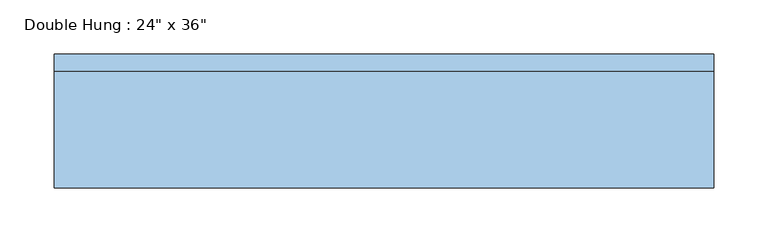
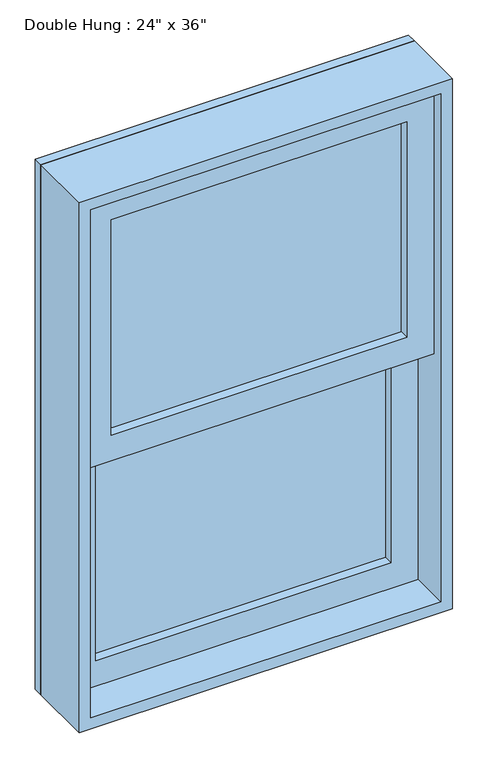
"""IFC4 building model written with IfcOpenShell, lengths in millimetres: window geometry."""

from ifc_helpers import new_model, si_unit, frame, origin, place, context, project, spatial, polyline, outline, extrude, source, transform, mapped, element, save


def window_9f7a67dd(model_context):
    return source(origin(), model_context, "Body", "SweptSolid", [
        extrude(outline(polyline([(-241.3, 17.4625), (-241.3, 30.1625), (241.3, 30.1625), (241.3, 17.4625), (-241.3, 17.4625)])), frame((0.0, 0.0, 977.9), z_axis=(0.0, 0.0, 1.0), x_axis=(1.0, 0.0, 0.0)), (0.0, 0.0, 1.0), 371.475),
        extrude(outline(polyline([(1393.825, -285.75), (933.45, -285.75), (933.45, 285.75), (1393.825, 285.75), (1393.825, -285.75)]), holes=[polyline([(1349.375, -241.3), (1349.375, 241.3), (977.9, 241.3), (977.9, -241.3), (1349.375, -241.3)])]), frame((0.0, 1.5875, 0.0), z_axis=(0.0, 1.0, 0.0), x_axis=(0.0, 0.0, 1.0)), (0.0, 0.0, 1.0), 44.45),
        extrude(outline(polyline([(241.3, -14.2875), (241.3, -26.9875), (-241.3, -26.9875), (-241.3, -14.2875), (241.3, -14.2875)])), frame((0.0, 0.0, 1393.825), z_axis=(0.0, 0.0, 1.0), x_axis=(1.0, 0.0, 0.0)), (0.0, 0.0, 1.0), 371.475),
        extrude(outline(polyline([(1809.75, -285.75), (1349.375, -285.75), (1349.375, 285.75), (1809.75, 285.75), (1809.75, -285.75)]), holes=[polyline([(1765.3, -241.3), (1765.3, 241.3), (1393.825, 241.3), (1393.825, -241.3), (1765.3, -241.3)])]), frame((0.0, -42.8625, 0.0), z_axis=(0.0, 1.0, 0.0), x_axis=(0.0, 0.0, 1.0)), (0.0, 0.0, 1.0), 44.45),
        extrude(outline(polyline([(1828.8, -304.8), (914.4, -304.8), (914.4, 304.8), (1828.8, 304.8), (1828.8, -304.8)]), holes=[polyline([(1797.05, -273.05), (1797.05, 273.05), (946.15, 273.05), (946.15, -273.05), (1797.05, -273.05)])]), frame((0.0, 46.0375, 0.0), z_axis=(0.0, 1.0, 0.0), x_axis=(0.0, 0.0, 1.0)), (0.0, 0.0, 1.0), 15.875),
        extrude(outline(polyline([(1828.8, 304.8), (1828.8, -304.8), (914.4, -304.8), (914.4, 304.8), (1828.8, 304.8)]), holes=[polyline([(1809.75, 285.75), (933.45, 285.75), (933.45, -285.75), (1809.75, -285.75), (1809.75, 285.75)])]), frame((0.0, -61.9125, 0.0), z_axis=(0.0, 1.0, 0.0), x_axis=(0.0, 0.0, 1.0)), (0.0, 0.0, 1.0), 107.95),
    ])


if __name__ == "__main__":
    model = new_model("IFC4")
    model_context = context("Model", 3, world=origin())
    ifc_project = project(units=[si_unit("LENGTHUNIT", "METRE", prefix="MILLI")], contexts=[model_context])
    site = spatial("IfcSite", under=ifc_project)
    building = spatial("IfcBuilding", under=site)
    placement = place(None, origin())
    window_shape = window_9f7a67dd(model_context)
    element("IfcWindow", 1, ObjectType="Double Hung : 24\" x 36\"", at=placement, inside=building, context=model_context, shape_type="MappedRepresentation", body=[
        mapped(window_shape, transform((0.0, 0.0, 0.0), x_axis=(1.0, 0.0, 0.0), y_axis=(0.0, 1.0, 0.0), z_axis=(0.0, 0.0, 1.0))),
    ])
    save(model, "model.ifc")
